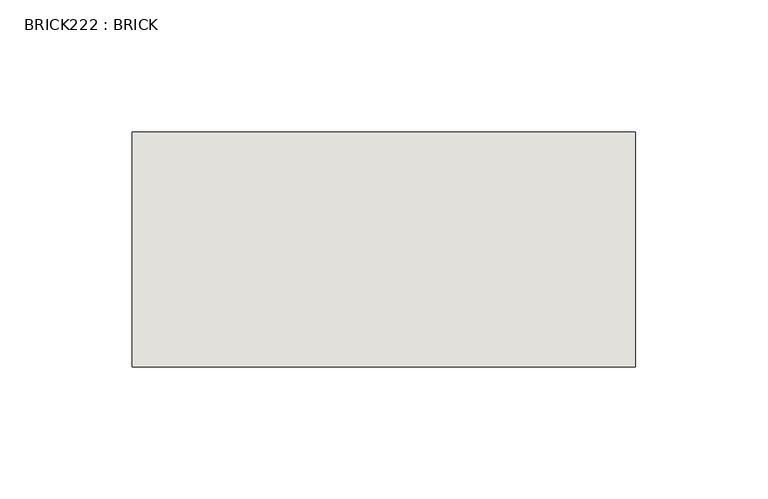
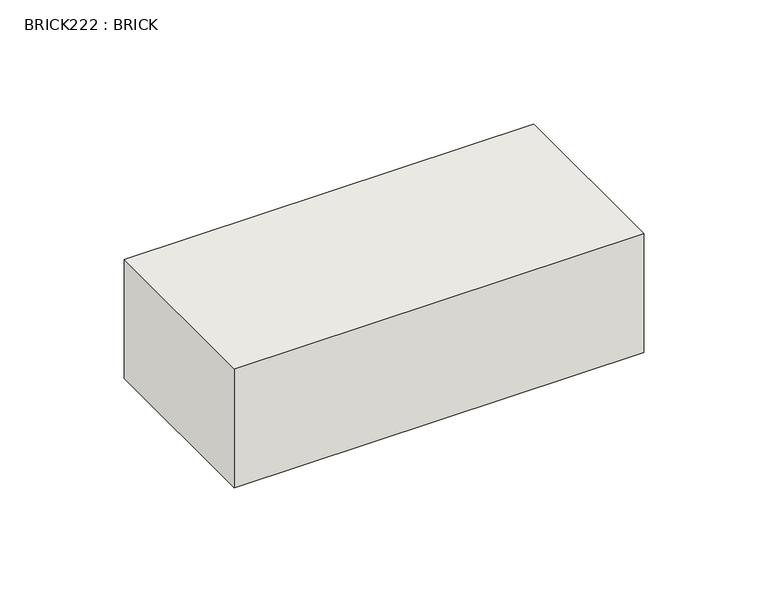
"""IFC4 building model written with IfcOpenShell, lengths in millimetres: wall geometry, BRICK222 : BRICK."""

from ifc_helpers import new_model, si_unit, frame, origin, place, context, project, spatial, polyline, outline, extrude, source, transform, mapped, element, save


def brick222_brick_eacb098c(model_context):
    return source(origin(), model_context, "Body", "SweptSolid", [
        extrude(outline(polyline([(-1277.8574357, 3062.3923312), (-1087.3574357, 3062.3923312), (-1087.3574357, 2973.4923312), (-1277.8574357, 2973.4923312), (-1277.8574357, 3062.3923312)])), frame((0.0, 0.0, 283.5671875), z_axis=(0.0, 0.0, 1.0), x_axis=(1.0, 0.0, 0.0)), (0.0, 0.0, 1.0), 58.4398437),
    ])


if __name__ == "__main__":
    model = new_model("IFC4")
    model_context = context("Model", 3, world=origin())
    ifc_project = project(units=[si_unit("LENGTHUNIT", "METRE", prefix="MILLI")], contexts=[model_context])
    site = spatial("IfcSite", under=ifc_project)
    building = spatial("IfcBuilding", under=site)
    placement = place(None, origin())
    brick222_brick_shape = brick222_brick_eacb098c(model_context)
    element("IfcWall", 1, ObjectType="BRICK222 : BRICK", at=placement, inside=building, context=model_context, shape_type="MappedRepresentation", body=[
        mapped(brick222_brick_shape, transform((0.0, 0.0, 0.0), x_axis=(1.0, 0.0, 0.0), y_axis=(0.0, 1.0, 0.0), z_axis=(0.0, 0.0, 1.0))),
    ])
    save(model, "model.ifc")
